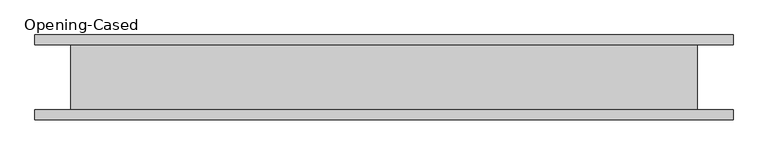
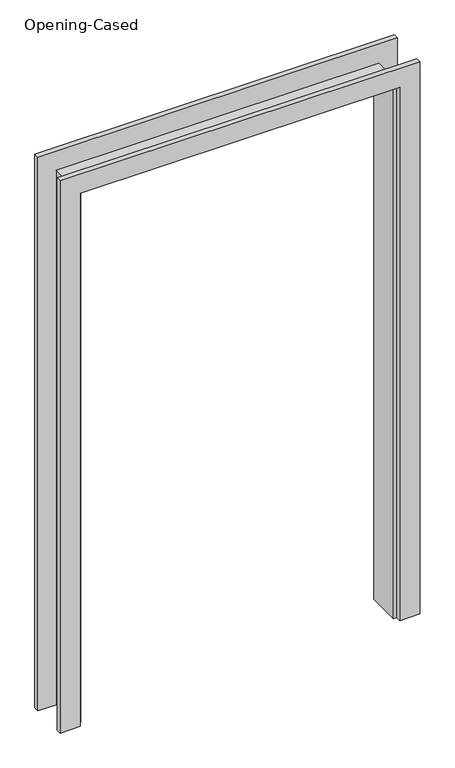
"""IFC4 building model written with IfcOpenShell, lengths in millimetres: proxy geometry, Opening-Cased."""

from ifc_helpers import new_model, si_unit, frame, origin, place, context, project, spatial, polyline, outline, extrude, faceted_brep, source, transform, mapped, element, save


def opening_cased_f44482cc(model_context):
    return source(origin(), model_context, "Body", "SolidModel", [
        extrude(outline(polyline([(0.0, -611.4386567), (2127.25, -611.4386567), (2127.25, 595.0613433), (0.0, 595.0613433), (0.0, 671.2613433), (2203.45, 671.2613433), (2203.45, -687.6386567), (0.0, -687.6386567), (0.0, -611.4386567)])), frame((0.0, -82.55, 0.0), z_axis=(0.0, 1.0, 0.0), x_axis=(0.0, 0.0, 1.0)), (0.0, 0.0, 1.0), 19.05),
        extrude(outline(polyline([(0.0, 671.2613433), (2209.8, 671.2613433), (2209.8, -687.6386567), (0.0, -687.6386567), (0.0, -611.4386567), (2127.25, -611.4386567), (2127.25, 595.0613433), (0.0, 595.0613433), (0.0, 671.2613433)])), frame((0.0, 63.5, 0.0), z_axis=(0.0, 1.0, 0.0), x_axis=(0.0, 0.0, 1.0)), (0.0, 0.0, 1.0), 19.05),
        faceted_brep([(582.3613433, 63.5, 0.0), (601.4113433, 63.5, 0.0), (601.4113433, -63.5, 0.0), (582.3613433, -63.5, 0.0), (582.3613433, 63.5, 2114.55), (601.4113433, 63.5, 2133.6), (601.4113433, -63.5, 2133.6), (582.3613433, -63.5, 2114.55), (-598.7386567, 63.5, 2114.55), (-617.7886567, 63.5, 2133.6), (-617.7886567, -63.5, 2133.6), (-598.7386567, -63.5, 2114.55), (-598.7386567, 63.5, 0.0), (-598.7386567, -63.5, 0.0), (-617.7886567, -63.5, 0.0), (-617.7886567, 63.5, 0.0)], [[[0, 1, 2, 3]], [[1, 0, 4, 5]], [[2, 1, 5, 6]], [[3, 2, 6, 7]], [[0, 3, 7, 4]], [[5, 4, 8, 9]], [[6, 5, 9, 10]], [[7, 6, 10, 11]], [[4, 7, 11, 8]], [[12, 13, 14, 15]], [[9, 8, 12, 15]], [[10, 9, 15, 14]], [[11, 10, 14, 13]], [[8, 11, 13, 12]]]),
    ])


if __name__ == "__main__":
    model = new_model("IFC4")
    model_context = context("Model", 3, world=origin())
    ifc_project = project(units=[si_unit("LENGTHUNIT", "METRE", prefix="MILLI")], contexts=[model_context])
    site = spatial("IfcSite", under=ifc_project)
    building = spatial("IfcBuilding", under=site)
    placement = place(None, origin())
    opening_cased_shape = opening_cased_f44482cc(model_context)
    element("IfcBuildingElementProxy", 1, Name="Opening-Cased", ObjectType="Opening-Cased", at=placement, inside=building, context=model_context, shape_type="MappedRepresentation", body=[
        mapped(opening_cased_shape, transform((0.0, 0.0, 0.0), x_axis=(1.0, 0.0, 0.0), y_axis=(0.0, 1.0, 0.0), z_axis=(0.0, 0.0, 1.0))),
    ])
    save(model, "model.ifc")
